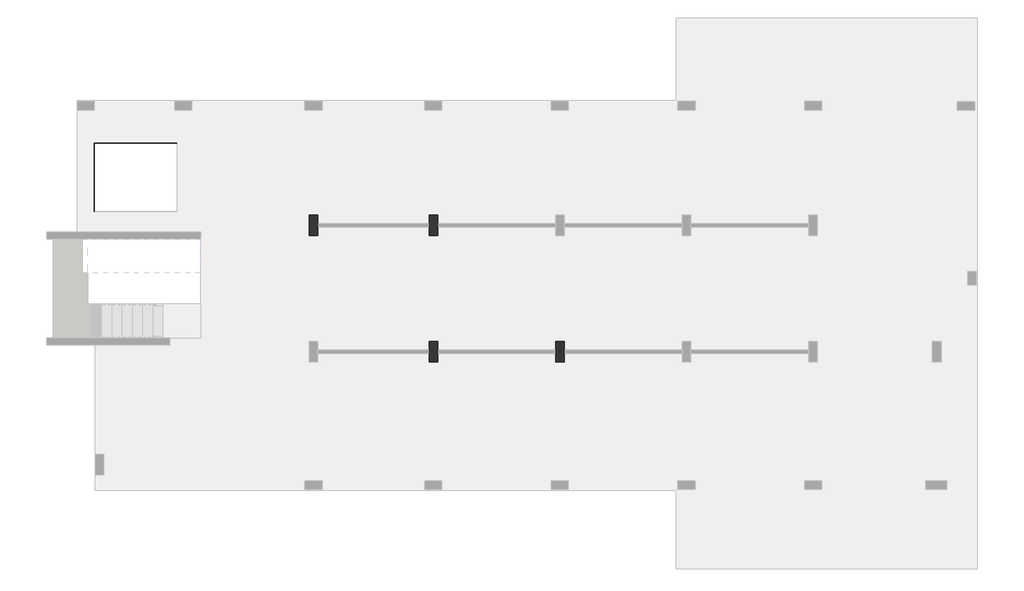
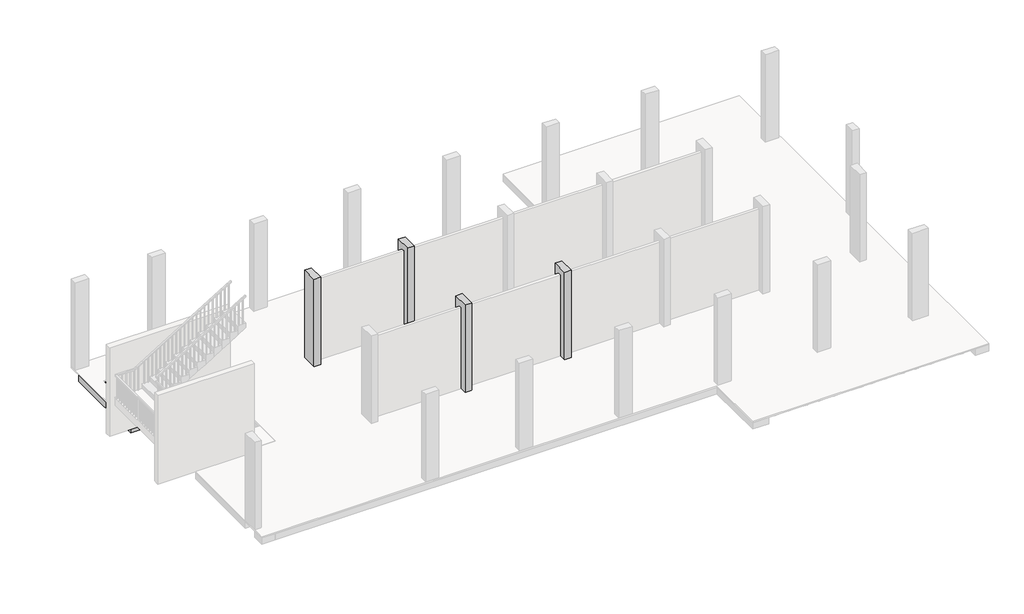
# One storey, part 2 of 5: 31 beams, 4 columns.
"""IFC4 building model written with IfcOpenShell, lengths in millimetres."""

from ifc_helpers import new_model, si_unit, frame, origin, place, context, project, spatial, polyline, outline, extrude, faceted_brep, element, save

model = new_model("IFC4")

# Units and contexts
model_context = context("Model", 3, world=origin())
ifc_project = project(units=[si_unit("LENGTHUNIT", "METRE", prefix="MILLI")], contexts=[model_context])

# Site, building, storey
site = spatial("IfcSite", under=ifc_project)
building = spatial("IfcBuilding", under=site)
storey = spatial("IfcBuildingStorey", under=building, Elevation=3500.0)

# Beams
placement = place(None, origin())
element("IfcBeam", 1, ObjectType="B 150 x 250 mm", at=placement, inside=storey, context=model_context, shape_type="SweptSolid", body=[
    extrude(outline(polyline([(14525.0390798, -3896.893934), (14675.0390798, -3896.893934), (14675.0390798, -6796.8939341), (14525.0390798, -6796.8939341), (14525.0390798, -3896.893934)])), frame((0.0, 0.0, 3200.0), z_axis=(0.0, 0.0, 1.0), x_axis=(1.0, 0.0, 0.0)), (0.0, 0.0, 1.0), 250.0),
])
element("IfcBeam", 2, ObjectType="B 150 x 250 mm", at=placement, inside=storey, context=model_context, shape_type="SweptSolid", body=[
    extrude(outline(polyline([(15075.0390798, -3896.893934), (15225.0390798, -3896.893934), (15225.0390798, -6796.8939341), (15075.0390798, -6796.8939341), (15075.0390798, -3896.893934)])), frame((0.0, 0.0, 3200.0), z_axis=(0.0, 0.0, 1.0), x_axis=(1.0, 0.0, 0.0)), (0.0, 0.0, 1.0), 250.0),
])
element("IfcBeam", 3, ObjectType="B 150 x 250 mm", at=placement, inside=storey, context=model_context, shape_type="SweptSolid", body=[
    extrude(outline(polyline([(15625.0390798, -3896.893934), (15775.0390798, -3896.893934), (15775.0390798, -6796.8939341), (15625.0390798, -6796.8939341), (15625.0390798, -3896.893934)])), frame((0.0, 0.0, 3200.0), z_axis=(0.0, 0.0, 1.0), x_axis=(1.0, 0.0, 0.0)), (0.0, 0.0, 1.0), 250.0),
])
element("IfcBeam", 4, ObjectType="B 150 x 250 mm", at=placement, inside=storey, context=model_context, shape_type="SweptSolid", body=[
    extrude(outline(polyline([(10825.0390798, -3896.893934), (10975.0390798, -3896.893934), (10975.0390798, -6796.8939341), (10825.0390798, -6796.8939341), (10825.0390798, -3896.893934)])), frame((0.0, 0.0, 3200.0), z_axis=(0.0, 0.0, 1.0), x_axis=(1.0, 0.0, 0.0)), (0.0, 0.0, 1.0), 250.0),
])
element("IfcBeam", 5, ObjectType="B 150 x 250 mm", at=placement, inside=storey, context=model_context, shape_type="SweptSolid", body=[
    extrude(outline(polyline([(11375.0390798, -3896.893934), (11525.0390798, -3896.893934), (11525.0390798, -6796.8939341), (11375.0390798, -6796.8939341), (11375.0390798, -3896.893934)])), frame((0.0, 0.0, 3200.0), z_axis=(0.0, 0.0, 1.0), x_axis=(1.0, 0.0, 0.0)), (0.0, 0.0, 1.0), 250.0),
])
element("IfcBeam", 6, ObjectType="B 150 x 250 mm", at=placement, inside=storey, context=model_context, shape_type="SweptSolid", body=[
    extrude(outline(polyline([(11925.0390798, -3896.893934), (12075.0390798, -3896.893934), (12075.0390798, -6796.8939341), (11925.0390798, -6796.8939341), (11925.0390798, -3896.893934)])), frame((0.0, 0.0, 3200.0), z_axis=(0.0, 0.0, 1.0), x_axis=(1.0, 0.0, 0.0)), (0.0, 0.0, 1.0), 250.0),
])
element("IfcBeam", 7, ObjectType="B 150 x 250 mm", at=placement, inside=storey, context=model_context, shape_type="SweptSolid", body=[
    extrude(outline(polyline([(12475.0390798, -3896.893934), (12625.0390798, -3896.893934), (12625.0390798, -6796.8939341), (12475.0390798, -6796.8939341), (12475.0390798, -3896.893934)])), frame((0.0, 0.0, 3200.0), z_axis=(0.0, 0.0, 1.0), x_axis=(1.0, 0.0, 0.0)), (0.0, 0.0, 1.0), 250.0),
])
element("IfcBeam", 8, ObjectType="B 150 x 250 mm", at=placement, inside=storey, context=model_context, shape_type="SweptSolid", body=[
    extrude(outline(polyline([(13025.0390798, -3896.893934), (13175.0390798, -3896.893934), (13175.0390798, -6796.8939341), (13025.0390798, -6796.8939341), (13025.0390798, -3896.893934)])), frame((0.0, 0.0, 3200.0), z_axis=(0.0, 0.0, 1.0), x_axis=(1.0, 0.0, 0.0)), (0.0, 0.0, 1.0), 250.0),
])
element("IfcBeam", 9, ObjectType="B 150 x 250 mm", at=placement, inside=storey, context=model_context, shape_type="SweptSolid", body=[
    extrude(outline(polyline([(7225.0390798, -3896.893934), (7375.0390798, -3896.893934), (7375.0390798, -6796.8939341), (7225.0390798, -6796.8939341), (7225.0390798, -3896.893934)])), frame((0.0, 0.0, 3200.0), z_axis=(0.0, 0.0, 1.0), x_axis=(1.0, 0.0, 0.0)), (0.0, 0.0, 1.0), 250.0),
])
element("IfcBeam", 10, ObjectType="B 150 x 250 mm", at=placement, inside=storey, context=model_context, shape_type="SweptSolid", body=[
    extrude(outline(polyline([(7775.0390798, -3896.893934), (7925.0390798, -3896.893934), (7925.0390798, -6796.8939341), (7775.0390798, -6796.8939341), (7775.0390798, -3896.893934)])), frame((0.0, 0.0, 3200.0), z_axis=(0.0, 0.0, 1.0), x_axis=(1.0, 0.0, 0.0)), (0.0, 0.0, 1.0), 250.0),
])
element("IfcBeam", 11, ObjectType="B 150 x 250 mm", at=placement, inside=storey, context=model_context, shape_type="SweptSolid", body=[
    extrude(outline(polyline([(8325.0390798, -3896.893934), (8475.0390798, -3896.893934), (8475.0390798, -6796.8939341), (8325.0390798, -6796.8939341), (8325.0390798, -3896.893934)])), frame((0.0, 0.0, 3200.0), z_axis=(0.0, 0.0, 1.0), x_axis=(1.0, 0.0, 0.0)), (0.0, 0.0, 1.0), 250.0),
])
element("IfcBeam", 12, ObjectType="B 150 x 250 mm", at=placement, inside=storey, context=model_context, shape_type="SweptSolid", body=[
    extrude(outline(polyline([(8875.0390798, -3896.893934), (9025.0390798, -3896.893934), (9025.0390798, -6796.8939341), (8875.0390798, -6796.8939341), (8875.0390798, -3896.893934)])), frame((0.0, 0.0, 3200.0), z_axis=(0.0, 0.0, 1.0), x_axis=(1.0, 0.0, 0.0)), (0.0, 0.0, 1.0), 250.0),
])
element("IfcBeam", 13, ObjectType="B 150 x 250 mm", at=placement, inside=storey, context=model_context, shape_type="SweptSolid", body=[
    extrude(outline(polyline([(9425.0390798, -3896.893934), (9575.0390798, -3896.893934), (9575.0390798, -6796.8939341), (9425.0390798, -6796.8939341), (9425.0390798, -3896.893934)])), frame((0.0, 0.0, 3200.0), z_axis=(0.0, 0.0, 1.0), x_axis=(1.0, 0.0, 0.0)), (0.0, 0.0, 1.0), 250.0),
])
element("IfcBeam", 14, ObjectType="B 150 x 250 mm", at=placement, inside=storey, context=model_context, shape_type="SweptSolid", body=[
    extrude(outline(polyline([(7225.0390798, -346.893934), (7375.0390798, -346.893934), (7375.0390798, -3096.893934), (7225.0390798, -3096.893934), (7225.0390798, -346.893934)])), frame((0.0, 0.0, 3200.0), z_axis=(0.0, 0.0, 1.0), x_axis=(1.0, 0.0, 0.0)), (0.0, 0.0, 1.0), 250.0),
])
element("IfcBeam", 15, ObjectType="B 150 x 250 mm", at=placement, inside=storey, context=model_context, shape_type="SweptSolid", body=[
    extrude(outline(polyline([(7775.0390798, -346.893934), (7925.0390798, -346.893934), (7925.0390798, -3096.893934), (7775.0390798, -3096.893934), (7775.0390798, -346.893934)])), frame((0.0, 0.0, 3200.0), z_axis=(0.0, 0.0, 1.0), x_axis=(1.0, 0.0, 0.0)), (0.0, 0.0, 1.0), 250.0),
])
element("IfcBeam", 16, ObjectType="B 150 x 250 mm", at=placement, inside=storey, context=model_context, shape_type="SweptSolid", body=[
    extrude(outline(polyline([(8325.0390798, -346.893934), (8475.0390798, -346.893934), (8475.0390798, -3096.893934), (8325.0390798, -3096.893934), (8325.0390798, -346.893934)])), frame((0.0, 0.0, 3200.0), z_axis=(0.0, 0.0, 1.0), x_axis=(1.0, 0.0, 0.0)), (0.0, 0.0, 1.0), 250.0),
])
element("IfcBeam", 17, ObjectType="B 150 x 250 mm", at=placement, inside=storey, context=model_context, shape_type="SweptSolid", body=[
    extrude(outline(polyline([(5575.0195399, -3896.893934), (5725.0195399, -3896.893934), (5725.0195399, -6796.8939341), (5575.0195399, -6796.8939341), (5575.0195399, -3896.893934)])), frame((0.0, 0.0, 3200.0), z_axis=(0.0, 0.0, 1.0), x_axis=(1.0, 0.0, 0.0)), (0.0, 0.0, 1.0), 250.0),
])
element("IfcBeam", 18, ObjectType="B 150 x 250 mm", at=placement, inside=storey, context=model_context, shape_type="SweptSolid", body=[
    extrude(outline(polyline([(6125.0195399, -3896.893934), (6275.0195399, -3896.893934), (6275.0195399, -6796.8939341), (6125.0195399, -6796.8939341), (6125.0195399, -3896.893934)])), frame((0.0, 0.0, 3200.0), z_axis=(0.0, 0.0, 1.0), x_axis=(1.0, 0.0, 0.0)), (0.0, 0.0, 1.0), 250.0),
])
element("IfcBeam", 19, ObjectType="B 150 x 250 mm", at=placement, inside=storey, context=model_context, shape_type="Brep", body=[
    faceted_brep([(2664.8770182, -346.893934, 3450.0), (2814.8770182, -346.893934, 3450.0), (2814.8770182, -346.893934, 3200.0), (2664.8770182, -346.893934, 3200.0), (2664.8770182, -946.893934, 3450.0), (2664.8770182, -1096.893934, 3450.0), (2664.8770182, -3096.893934, 3450.0), (2814.8770182, -3096.893934, 3450.0), (2814.8770182, -3096.893934, 3200.0), (2664.8770182, -3096.893934, 3200.0), (2664.8770182, -1096.893934, 3200.0), (2664.8770182, -946.893934, 3200.0)], [[[0, 1, 2, 3]], [[1, 0, 4, 5, 6, 7]], [[2, 1, 7, 8]], [[3, 2, 8, 9, 10, 11]], [[0, 3, 11, 10, 9, 6, 5, 4]], [[7, 6, 9, 8]]]),
])
element("IfcBeam", 20, ObjectType="B 150 x 250 mm", at=placement, inside=storey, context=model_context, shape_type="SweptSolid", body=[
    extrude(outline(polyline([(3225.0195399, -346.893934), (3375.0195399, -346.893934), (3375.0195399, -3096.893934), (3225.0195399, -3096.893934), (3225.0195399, -346.893934)])), frame((0.0, 0.0, 3200.0), z_axis=(0.0, 0.0, 1.0), x_axis=(1.0, 0.0, 0.0)), (0.0, 0.0, 1.0), 250.0),
])
element("IfcBeam", 21, ObjectType="B 150 x 250 mm", at=placement, inside=storey, context=model_context, shape_type="SweptSolid", body=[
    extrude(outline(polyline([(3775.0195399, -346.893934), (3925.0195399, -346.893934), (3925.0195399, -3096.893934), (3775.0195399, -3096.893934), (3775.0195399, -346.893934)])), frame((0.0, 0.0, 3200.0), z_axis=(0.0, 0.0, 1.0), x_axis=(1.0, 0.0, 0.0)), (0.0, 0.0, 1.0), 250.0),
])
element("IfcBeam", 22, ObjectType="B 150 x 250 mm", at=placement, inside=storey, context=model_context, shape_type="SweptSolid", body=[
    extrude(outline(polyline([(4325.0195399, -346.893934), (4475.0195399, -346.893934), (4475.0195399, -3096.893934), (4325.0195399, -3096.893934), (4325.0195399, -346.893934)])), frame((0.0, 0.0, 3200.0), z_axis=(0.0, 0.0, 1.0), x_axis=(1.0, 0.0, 0.0)), (0.0, 0.0, 1.0), 250.0),
])
element("IfcBeam", 23, ObjectType="B 150 x 250 mm", at=placement, inside=storey, context=model_context, shape_type="SweptSolid", body=[
    extrude(outline(polyline([(4875.0195399, -346.893934), (5025.0195399, -346.893934), (5025.0195399, -3096.893934), (4875.0195399, -3096.893934), (4875.0195399, -346.893934)])), frame((0.0, 0.0, 3200.0), z_axis=(0.0, 0.0, 1.0), x_axis=(1.0, 0.0, 0.0)), (0.0, 0.0, 1.0), 250.0),
])
element("IfcBeam", 24, ObjectType="B 150 x 250 mm", at=placement, inside=storey, context=model_context, shape_type="SweptSolid", body=[
    extrude(outline(polyline([(5425.0195399, -346.893934), (5575.0195399, -346.893934), (5575.0195399, -3096.893934), (5425.0195399, -3096.893934), (5425.0195399, -346.893934)])), frame((0.0, 0.0, 3200.0), z_axis=(0.0, 0.0, 1.0), x_axis=(1.0, 0.0, 0.0)), (0.0, 0.0, 1.0), 250.0),
])
element("IfcBeam", 25, ObjectType="B 150 x 250 mm", at=placement, inside=storey, context=model_context, shape_type="SweptSolid", body=[
    extrude(outline(polyline([(5975.0195399, -346.893934), (6125.0195399, -346.893934), (6125.0195399, -3096.893934), (5975.0195399, -3096.893934), (5975.0195399, -346.893934)])), frame((0.0, 0.0, 3200.0), z_axis=(0.0, 0.0, 1.0), x_axis=(1.0, 0.0, 0.0)), (0.0, 0.0, 1.0), 250.0),
])
element("IfcBeam", 26, ObjectType="B 150 x 250 mm", at=placement, inside=storey, context=model_context, shape_type="Brep", body=[
    faceted_brep([(250.0, -946.893934, 3450.0), (250.0, -946.893934, 3200.0), (250.0, -1096.893934, 3200.0), (250.0, -1096.893934, 3450.0), (2650.0, -1096.893934, 3450.0), (2664.8770182, -1096.893934, 3450.0), (2664.8770182, -946.893934, 3450.0), (2664.8770182, -1096.893934, 3200.0), (2664.8770182, -946.893934, 3200.0)], [[[0, 1, 2, 3]], [[0, 3, 4, 5, 6]], [[3, 2, 7, 5, 4]], [[2, 1, 8, 7]], [[1, 0, 6, 8]], [[6, 5, 7, 8]]]),
])
element("IfcBeam", 27, ObjectType="B4 800 x 250 mm", at=placement, inside=storey, context=model_context, shape_type="Brep", body=[
    faceted_brep([(25550.0000727, -7596.8939341, 3450.0), (25550.0000727, -7596.8939341, 3200.0), (25550.0000727, -6796.8939341, 3200.0), (25550.0000727, -6796.8939341, 3450.0), (25275.0195763, -6796.8939341, 3450.0), (25125.0195763, -6796.8939341, 3450.0), (24725.0195763, -6796.8939341, 3450.0), (24575.0195763, -6796.8939341, 3450.0), (24175.0195763, -6796.8939341, 3450.0), (24025.0195763, -6796.8939341, 3450.0), (23625.0195763, -6796.8939341, 3450.0), (23475.0195763, -6796.8939341, 3450.0), (23075.0195763, -6796.8939341, 3450.0), (22925.0195763, -6796.8939341, 3450.0), (22525.0195763, -6796.8939341, 3450.0), (22375.0195763, -6796.8939341, 3450.0), (21975.0195763, -6796.8939341, 3450.0), (21825.0195763, -6796.8939341, 3450.0), (21550.0390798, -6796.8939341, 3450.0), (20950.0390798, -6796.8939341, 3450.0), (20575.0390798, -6796.8939341, 3450.0), (20425.0390798, -6796.8939341, 3450.0), (20025.0390798, -6796.8939341, 3450.0), (19875.0390798, -6796.8939341, 3450.0), (19475.0390798, -6796.8939341, 3450.0), (19325.0390798, -6796.8939341, 3450.0), (18925.0390798, -6796.8939341, 3450.0), (18775.0390798, -6796.8939341, 3450.0), (18375.0390798, -6796.8939341, 3450.0), (18225.0390798, -6796.8939341, 3450.0), (17850.0390798, -6796.8939341, 3450.0), (17250.0390798, -6796.8939341, 3450.0), (16875.0390798, -6796.8939341, 3450.0), (16725.0390798, -6796.8939341, 3450.0), (16325.0390798, -6796.8939341, 3450.0), (16175.0390798, -6796.8939341, 3450.0), (15775.0390798, -6796.8939341, 3450.0), (15625.0390798, -6796.8939341, 3450.0), (15225.0390798, -6796.8939341, 3450.0), (15075.0390798, -6796.8939341, 3450.0), (14675.0390798, -6796.8939341, 3450.0), (14525.0390798, -6796.8939341, 3450.0), (14150.0390798, -6796.8939341, 3450.0), (13550.0390798, -6796.8939341, 3450.0), (13175.0390798, -6796.8939341, 3450.0), (13025.0390798, -6796.8939341, 3450.0), (12625.0390798, -6796.8939341, 3450.0), (12475.0390798, -6796.8939341, 3450.0), (12075.0390798, -6796.8939341, 3450.0), (11925.0390798, -6796.8939341, 3450.0), (11525.0390798, -6796.8939341, 3450.0), (11375.0390798, -6796.8939341, 3450.0), (10975.0390798, -6796.8939341, 3450.0), (10825.0390798, -6796.8939341, 3450.0), (10450.0390798, -6796.8939341, 3450.0), (9850.0390798, -6796.8939341, 3450.0), (9575.0390798, -6796.8939341, 3450.0), (9425.0390798, -6796.8939341, 3450.0), (9025.0390798, -6796.8939341, 3450.0), (8875.0390798, -6796.8939341, 3450.0), (8475.0390798, -6796.8939341, 3450.0), (8325.0390798, -6796.8939341, 3450.0), (7925.0390798, -6796.8939341, 3450.0), (7775.0390798, -6796.8939341, 3450.0), (7375.0390798, -6796.8939341, 3450.0), (7225.0390798, -6796.8939341, 3450.0), (6950.0390798, -6796.8939341, 3450.0), (6350.0390798, -6796.8939341, 3450.0), (6275.0195399, -6796.8939341, 3450.0), (6125.0195399, -6796.8939341, 3450.0), (5725.0195399, -6796.8939341, 3450.0), (5575.0195399, -6796.8939341, 3450.0), (5175.0195399, -6796.8939341, 3450.0), (5025.0195399, -6796.8939341, 3450.0), (4625.0195399, -6796.8939341, 3450.0), (4475.0195399, -6796.8939341, 3450.0), (4075.0195399, -6796.8939341, 3450.0), (3925.0195399, -6796.8939341, 3450.0), (3850.0, -6796.8939341, 3450.0), (3350.0, -6796.8939341, 3450.0), (2450.0, -6796.8939341, 3450.0), (2450.0, -6996.8939341, 3450.0), (777.7588387, -6996.8939341, 3450.0), (777.7588387, -7596.8939341, 3450.0), (888.8989593, -7596.8939341, 3450.0), (1288.8989593, -7596.8939341, 3450.0), (1438.8989593, -7596.8939341, 3450.0), (1838.8989593, -7596.8939341, 3450.0), (1988.8989593, -7596.8939341, 3450.0), (2388.8989593, -7596.8939341, 3450.0), (2538.8989593, -7596.8939341, 3450.0), (2938.8989593, -7596.8939341, 3450.0), (3088.8989593, -7596.8939341, 3450.0), (3488.8989593, -7596.8939341, 3450.0), (3638.8989593, -7596.8939341, 3450.0), (4038.8989593, -7596.8939341, 3450.0), (4188.8989593, -7596.8939341, 3450.0), (4588.8989593, -7596.8939341, 3450.0), (4738.8989593, -7596.8939341, 3450.0), (5138.8989593, -7596.8939341, 3450.0), (5288.8989593, -7596.8939341, 3450.0), (5688.8989593, -7596.8939341, 3450.0), (5838.8989593, -7596.8939341, 3450.0), (6238.8989593, -7596.8939341, 3450.0), (6350.0390798, -7596.8939341, 3450.0), (6950.0390798, -7596.8939341, 3450.0), (7225.0390798, -7596.8939341, 3450.0), (7375.0390798, -7596.8939341, 3450.0), (7775.0390798, -7596.8939341, 3450.0), (7925.0390798, -7596.8939341, 3450.0), (8325.0390798, -7596.8939341, 3450.0), (8475.0390798, -7596.8939341, 3450.0), (8875.0390798, -7596.8939341, 3450.0), (9025.0390798, -7596.8939341, 3450.0), (9425.0390798, -7596.8939341, 3450.0), (9575.0390798, -7596.8939341, 3450.0), (9850.0390798, -7596.8939341, 3450.0), (10450.0390798, -7596.8939341, 3450.0), (10825.0390798, -7596.8939341, 3450.0), (10975.0390798, -7596.8939341, 3450.0), (11375.0390798, -7596.8939341, 3450.0), (11525.0390798, -7596.8939341, 3450.0), (11925.0390798, -7596.8939341, 3450.0), (12075.0390798, -7596.8939341, 3450.0), (12475.0390798, -7596.8939341, 3450.0), (12625.0390798, -7596.8939341, 3450.0), (13025.0390798, -7596.8939341, 3450.0), (13175.0390798, -7596.8939341, 3450.0), (13550.0390798, -7596.8939341, 3450.0), (14150.0390798, -7596.8939341, 3450.0), (14525.0390798, -7596.8939341, 3450.0), (14675.0390798, -7596.8939341, 3450.0), (15075.0390798, -7596.8939341, 3450.0), (15225.0390798, -7596.8939341, 3450.0), (15625.0390798, -7596.8939341, 3450.0), (15775.0390798, -7596.8939341, 3450.0), (16175.0390798, -7596.8939341, 3450.0), (16325.0390798, -7596.8939341, 3450.0), (16725.0390798, -7596.8939341, 3450.0), (16875.0390798, -7596.8939341, 3450.0), (17250.0390798, -7596.8939341, 3450.0), (17850.0390798, -7596.8939341, 3450.0), (18225.0390798, -7596.8939341, 3450.0), (18375.0390798, -7596.8939341, 3450.0), (18775.0390798, -7596.8939341, 3450.0), (18925.0390798, -7596.8939341, 3450.0), (19325.0390798, -7596.8939341, 3450.0), (19475.0390798, -7596.8939341, 3450.0), (19875.0390798, -7596.8939341, 3450.0), (20025.0390798, -7596.8939341, 3450.0), (20425.0390798, -7596.8939341, 3450.0), (20575.0390798, -7596.8939341, 3450.0), (20950.0390798, -7596.8939341, 3450.0), (21550.0390798, -7596.8939341, 3450.0), (21825.0195763, -7596.8939341, 3450.0), (21975.0195763, -7596.8939341, 3450.0), (22375.0195763, -7596.8939341, 3450.0), (22525.0195763, -7596.8939341, 3450.0), (22925.0195763, -7596.8939341, 3450.0), (23075.0195763, -7596.8939341, 3450.0), (23475.0195763, -7596.8939341, 3450.0), (23625.0195763, -7596.8939341, 3450.0), (24025.0195763, -7596.8939341, 3450.0), (24175.0195763, -7596.8939341, 3450.0), (24575.0195763, -7596.8939341, 3450.0), (24725.0195763, -7596.8939341, 3450.0), (25125.0195763, -7596.8939341, 3450.0), (25275.0195763, -7596.8939341, 3450.0), (24735.2850434, -6896.8939341, 3450.0), (24985.2850434, -6896.8939341, 3450.0), (24985.2850434, -7496.8939341, 3450.0), (24735.2850434, -7496.8939341, 3450.0), (21125.0390798, -6896.8939341, 3450.0), (21375.0390798, -6896.8939341, 3450.0), (21375.0390798, -7496.8939341, 3450.0), (21125.0390798, -7496.8939341, 3450.0), (17425.0390798, -6896.8939341, 3450.0), (17675.0390798, -6896.8939341, 3450.0), (17675.0390798, -7496.8939341, 3450.0), (17425.0390798, -7496.8939341, 3450.0), (13725.0390798, -6896.8939341, 3450.0), (13975.0390798, -6896.8939341, 3450.0), (13975.0390798, -7496.8939341, 3450.0), (13725.0390798, -7496.8939341, 3450.0), (10025.0390798, -6896.8939341, 3450.0), (10275.0390798, -6896.8939341, 3450.0), (10275.0390798, -7496.8939341, 3450.0), (10025.0390798, -7496.8939341, 3450.0), (6525.0390798, -6896.8939341, 3450.0), (6775.0390798, -6896.8939341, 3450.0), (6775.0390798, -7496.8939341, 3450.0), (6525.0390798, -7496.8939341, 3450.0), (25275.0195763, -6796.8939341, 3200.0), (25125.0195763, -6796.8939341, 3200.0), (24725.0195763, -6796.8939341, 3200.0), (24575.0195763, -6796.8939341, 3200.0), (24175.0195763, -6796.8939341, 3200.0), (24025.0195763, -6796.8939341, 3200.0), (23625.0195763, -6796.8939341, 3200.0), (23475.0195763, -6796.8939341, 3200.0), (23075.0195763, -6796.8939341, 3200.0), (22925.0195763, -6796.8939341, 3200.0), (22525.0195763, -6796.8939341, 3200.0), (22375.0195763, -6796.8939341, 3200.0), (21975.0195763, -6796.8939341, 3200.0), (21825.0195763, -6796.8939341, 3200.0), (21550.0390798, -6796.8939341, 3200.0), (20950.0390798, -6796.8939341, 3200.0), (20575.0390798, -6796.8939341, 3200.0), (20425.0390798, -6796.8939341, 3200.0), (20025.0390798, -6796.8939341, 3200.0), (19875.0390798, -6796.8939341, 3200.0), (19475.0390798, -6796.8939341, 3200.0), (19325.0390798, -6796.8939341, 3200.0), (18925.0390798, -6796.8939341, 3200.0), (18775.0390798, -6796.8939341, 3200.0), (18375.0390798, -6796.8939341, 3200.0), (18225.0390798, -6796.8939341, 3200.0), (17850.0390798, -6796.8939341, 3200.0), (17250.0390798, -6796.8939341, 3200.0), (16875.0390798, -6796.8939341, 3200.0), (16725.0390798, -6796.8939341, 3200.0), (16325.0390798, -6796.8939341, 3200.0), (16175.0390798, -6796.8939341, 3200.0), (15775.0390798, -6796.8939341, 3200.0), (15625.0390798, -6796.8939341, 3200.0), (15225.0390798, -6796.8939341, 3200.0), (15075.0390798, -6796.8939341, 3200.0), (14675.0390798, -6796.8939341, 3200.0), (14525.0390798, -6796.8939341, 3200.0), (14150.0390798, -6796.8939341, 3200.0), (13550.0390798, -6796.8939341, 3200.0), (13175.0390798, -6796.8939341, 3200.0), (13025.0390798, -6796.8939341, 3200.0), (12625.0390798, -6796.8939341, 3200.0), (12475.0390798, -6796.8939341, 3200.0), (12075.0390798, -6796.8939341, 3200.0), (11925.0390798, -6796.8939341, 3200.0), (11525.0390798, -6796.8939341, 3200.0), (11375.0390798, -6796.8939341, 3200.0), (10975.0390798, -6796.8939341, 3200.0), (10825.0390798, -6796.8939341, 3200.0), (10450.0390798, -6796.8939341, 3200.0), (9850.0390798, -6796.8939341, 3200.0), (9575.0390798, -6796.8939341, 3200.0), (9425.0390798, -6796.8939341, 3200.0), (9025.0390798, -6796.8939341, 3200.0), (8875.0390798, -6796.8939341, 3200.0), (8475.0390798, -6796.8939341, 3200.0), (8325.0390798, -6796.8939341, 3200.0), (7925.0390798, -6796.8939341, 3200.0), (7775.0390798, -6796.8939341, 3200.0), (7375.0390798, -6796.8939341, 3200.0), (7225.0390798, -6796.8939341, 3200.0), (6950.0390798, -6796.8939341, 3200.0), (6350.0390798, -6796.8939341, 3200.0), (6275.0195399, -6796.8939341, 3200.0), (6125.0195399, -6796.8939341, 3200.0), (5725.0195399, -6796.8939341, 3200.0), (5575.0195399, -6796.8939341, 3200.0), (5175.0195399, -6796.8939341, 3200.0), (5025.0195399, -6796.8939341, 3200.0), (4625.0195399, -6796.8939341, 3200.0), (4475.0195399, -6796.8939341, 3200.0), (4075.0195399, -6796.8939341, 3200.0), (3925.0195399, -6796.8939341, 3200.0), (3850.0, -6796.8939341, 3200.0), (3350.0, -6796.8939341, 3200.0), (2450.0, -6796.8939341, 3200.0), (25275.0195763, -7596.8939341, 3200.0), (25125.0195763, -7596.8939341, 3200.0), (24725.0195763, -7596.8939341, 3200.0), (24575.0195763, -7596.8939341, 3200.0), (24175.0195763, -7596.8939341, 3200.0), (24025.0195763, -7596.8939341, 3200.0), (23625.0195763, -7596.8939341, 3200.0), (23475.0195763, -7596.8939341, 3200.0), (23075.0195763, -7596.8939341, 3200.0), (22925.0195763, -7596.8939341, 3200.0), (22525.0195763, -7596.8939341, 3200.0), (22375.0195763, -7596.8939341, 3200.0), (21975.0195763, -7596.8939341, 3200.0), (21825.0195763, -7596.8939341, 3200.0), (21550.0390798, -7596.8939341, 3200.0), (20950.0390798, -7596.8939341, 3200.0), (20575.0390798, -7596.8939341, 3200.0), (20425.0390798, -7596.8939341, 3200.0), (20025.0390798, -7596.8939341, 3200.0), (19875.0390798, -7596.8939341, 3200.0), (19475.0390798, -7596.8939341, 3200.0), (19325.0390798, -7596.8939341, 3200.0), (18925.0390798, -7596.8939341, 3200.0), (18775.0390798, -7596.8939341, 3200.0), (18375.0390798, -7596.8939341, 3200.0), (18225.0390798, -7596.8939341, 3200.0), (17850.0390798, -7596.8939341, 3200.0), (17250.0390798, -7596.8939341, 3200.0), (16875.0390798, -7596.8939341, 3200.0), (16725.0390798, -7596.8939341, 3200.0), (16325.0390798, -7596.8939341, 3200.0), (16175.0390798, -7596.8939341, 3200.0), (15775.0390798, -7596.8939341, 3200.0), (15625.0390798, -7596.8939341, 3200.0), (15225.0390798, -7596.8939341, 3200.0), (15075.0390798, -7596.8939341, 3200.0), (14675.0390798, -7596.8939341, 3200.0), (14525.0390798, -7596.8939341, 3200.0), (14150.0390798, -7596.8939341, 3200.0), (13550.0390798, -7596.8939341, 3200.0), (13175.0390798, -7596.8939341, 3200.0), (13025.0390798, -7596.8939341, 3200.0), (12625.0390798, -7596.8939341, 3200.0), (12475.0390798, -7596.8939341, 3200.0), (12075.0390798, -7596.8939341, 3200.0), (11925.0390798, -7596.8939341, 3200.0), (11525.0390798, -7596.8939341, 3200.0), (11375.0390798, -7596.8939341, 3200.0), (10975.0390798, -7596.8939341, 3200.0), (10825.0390798, -7596.8939341, 3200.0), (10450.0390798, -7596.8939341, 3200.0), (9850.0390798, -7596.8939341, 3200.0), (9575.0390798, -7596.8939341, 3200.0), (9425.0390798, -7596.8939341, 3200.0), (9025.0390798, -7596.8939341, 3200.0), (8875.0390798, -7596.8939341, 3200.0), (8475.0390798, -7596.8939341, 3200.0), (8325.0390798, -7596.8939341, 3200.0), (7925.0390798, -7596.8939341, 3200.0), (7775.0390798, -7596.8939341, 3200.0), (7375.0390798, -7596.8939341, 3200.0), (7225.0390798, -7596.8939341, 3200.0), (6950.0390798, -7596.8939341, 3200.0), (6350.0390798, -7596.8939341, 3200.0), (6238.8989593, -7596.8939341, 3200.0), (5838.8989593, -7596.8939341, 3200.0), (5688.8989593, -7596.8939341, 3200.0), (5288.8989593, -7596.8939341, 3200.0), (5138.8989593, -7596.8939341, 3200.0), (4738.8989593, -7596.8939341, 3200.0), (4588.8989593, -7596.8939341, 3200.0), (4188.8989593, -7596.8939341, 3200.0), (4038.8989593, -7596.8939341, 3200.0), (3638.8989593, -7596.8939341, 3200.0), (3488.8989593, -7596.8939341, 3200.0), (3088.8989593, -7596.8939341, 3200.0), (2938.8989593, -7596.8939341, 3200.0), (2538.8989593, -7596.8939341, 3200.0), (2388.8989593, -7596.8939341, 3200.0), (1988.8989593, -7596.8939341, 3200.0), (1838.8989593, -7596.8939341, 3200.0), (1438.8989593, -7596.8939341, 3200.0), (1288.8989593, -7596.8939341, 3200.0), (888.8989593, -7596.8939341, 3200.0), (777.7588387, -7596.8939341, 3200.0), (777.7588387, -6996.8939341, 3200.0), (2450.0, -6996.8939341, 3200.0), (24985.2850434, -6896.8939341, 3200.0), (24735.2850434, -6896.8939341, 3200.0), (24735.2850434, -7496.8939341, 3200.0), (24985.2850434, -7496.8939341, 3200.0), (21375.0390798, -6896.8939341, 3200.0), (21125.0390798, -6896.8939341, 3200.0), (21125.0390798, -7496.8939341, 3200.0), (21375.0390798, -7496.8939341, 3200.0), (17675.0390798, -6896.8939341, 3200.0), (17425.0390798, -6896.8939341, 3200.0), (17425.0390798, -7496.8939341, 3200.0), (17675.0390798, -7496.8939341, 3200.0), (13975.0390798, -6896.8939341, 3200.0), (13725.0390798, -6896.8939341, 3200.0), (13725.0390798, -7496.8939341, 3200.0), (13975.0390798, -7496.8939341, 3200.0), (10275.0390798, -6896.8939341, 3200.0), (10025.0390798, -6896.8939341, 3200.0), (10025.0390798, -7496.8939341, 3200.0), (10275.0390798, -7496.8939341, 3200.0), (6775.0390798, -6896.8939341, 3200.0), (6525.0390798, -6896.8939341, 3200.0), (6525.0390798, -7496.8939341, 3200.0), (6775.0390798, -7496.8939341, 3200.0)], [[[0, 1, 2, 3]], [[0, 3, 4, 5, 6, 7, 8, 9, 10, 11, 12, 13, 14, 15, 16, 17, 18, 19, 20, 21, 22, 23, 24, 25, 26, 27, 28, 29, 30, 31, 32, 33, 34, 35, 36, 37, 38, 39, 40, 41, 42, 43, 44, 45, 46, 47, 48, 49, 50, 51, 52, 53, 54, 55, 56, 57, 58, 59, 60, 61, 62, 63, 64, 65, 66, 67, 68, 69, 70, 71, 72, 73, 74, 75, 76, 77, 78, 79, 80, 81, 82, 83, 84, 85, 86, 87, 88, 89, 90, 91, 92, 93, 94, 95, 96, 97, 98, 99, 100, 101, 102, 103, 104, 105, 106, 107, 108, 109, 110, 111, 112, 113, 114, 115, 116, 117, 118, 119, 120, 121, 122, 123, 124, 125, 126, 127, 128, 129, 130, 131, 132, 133, 134, 135, 136, 137, 138, 139, 140, 141, 142, 143, 144, 145, 146, 147, 148, 149, 150, 151, 152, 153, 154, 155, 156, 157, 158, 159, 160, 161, 162, 163, 164, 165, 166, 167], [168, 169, 170, 171], [172, 173, 174, 175], [176, 177, 178, 179], [180, 181, 182, 183], [184, 185, 186, 187], [188, 189, 190, 191]], [[3, 2, 192, 193, 194, 195, 196, 197, 198, 199, 200, 201, 202, 203, 204, 205, 206, 207, 208, 209, 210, 211, 212, 213, 214, 215, 216, 217, 218, 219, 220, 221, 222, 223, 224, 225, 226, 227, 228, 229, 230, 231, 232, 233, 234, 235, 236, 237, 238, 239, 240, 241, 242, 243, 244, 245, 246, 247, 248, 249, 250, 251, 252, 253, 254, 255, 256, 257, 258, 259, 260, 261, 262, 263, 264, 265, 266, 267, 268, 80, 79, 78, 77, 76, 75, 74, 73, 72, 71, 70, 69, 68, 67, 66, 65, 64, 63, 62, 61, 60, 59, 58, 57, 56, 55, 54, 53, 52, 51, 50, 49, 48, 47, 46, 45, 44, 43, 42, 41, 40, 39, 38, 37, 36, 35, 34, 33, 32, 31, 30, 29, 28, 27, 26, 25, 24, 23, 22, 21, 20, 19, 18, 17, 16, 15, 14, 13, 12, 11, 10, 9, 8, 7, 6, 5, 4]], [[2, 1, 269, 270, 271, 272, 273, 274, 275, 276, 277, 278, 279, 280, 281, 282, 283, 284, 285, 286, 287, 288, 289, 290, 291, 292, 293, 294, 295, 296, 297, 298, 299, 300, 301, 302, 303, 304, 305, 306, 307, 308, 309, 310, 311, 312, 313, 314, 315, 316, 317, 318, 319, 320, 321, 322, 323, 324, 325, 326, 327, 328, 329, 330, 331, 332, 333, 334, 335, 336, 337, 338, 339, 340, 341, 342, 343, 344, 345, 346, 347, 348, 349, 350, 351, 352, 353, 354, 355, 268, 267, 266, 265, 264, 263, 262, 261, 260, 259, 258, 257, 256, 255, 254, 253, 252, 251, 250, 249, 248, 247, 246, 245, 244, 243, 242, 241, 240, 239, 238, 237, 236, 235, 234, 233, 232, 231, 230, 229, 228, 227, 226, 225, 224, 223, 222, 221, 220, 219, 218, 217, 216, 215, 214, 213, 212, 211, 210, 209, 208, 207, 206, 205, 204, 203, 202, 201, 200, 199, 198, 197, 196, 195, 194, 193, 192], [356, 357, 358, 359], [360, 361, 362, 363], [364, 365, 366, 367], [368, 369, 370, 371], [372, 373, 374, 375], [376, 377, 378, 379]], [[1, 0, 167, 166, 165, 164, 163, 162, 161, 160, 159, 158, 157, 156, 155, 154, 153, 152, 151, 150, 149, 148, 147, 146, 145, 144, 143, 142, 141, 140, 139, 138, 137, 136, 135, 134, 133, 132, 131, 130, 129, 128, 127, 126, 125, 124, 123, 122, 121, 120, 119, 118, 117, 116, 115, 114, 113, 112, 111, 110, 109, 108, 107, 106, 105, 104, 103, 102, 101, 100, 99, 98, 97, 96, 95, 94, 93, 92, 91, 90, 89, 88, 87, 86, 85, 84, 83, 353, 352, 351, 350, 349, 348, 347, 346, 345, 344, 343, 342, 341, 340, 339, 338, 337, 336, 335, 334, 333, 332, 331, 330, 329, 328, 327, 326, 325, 324, 323, 322, 321, 320, 319, 318, 317, 316, 315, 314, 313, 312, 311, 310, 309, 308, 307, 306, 305, 304, 303, 302, 301, 300, 299, 298, 297, 296, 295, 294, 293, 292, 291, 290, 289, 288, 287, 286, 285, 284, 283, 282, 281, 280, 279, 278, 277, 276, 275, 274, 273, 272, 271, 270, 269]], [[356, 169, 168, 357]], [[170, 359, 358, 171]], [[169, 356, 359, 170]], [[171, 358, 357, 168]], [[360, 173, 172, 361]], [[174, 363, 362, 175]], [[173, 360, 363, 174]], [[175, 362, 361, 172]], [[364, 177, 176, 365]], [[178, 367, 366, 179]], [[177, 364, 367, 178]], [[179, 366, 365, 176]], [[368, 181, 180, 369]], [[182, 371, 370, 183]], [[181, 368, 371, 182]], [[183, 370, 369, 180]], [[372, 185, 184, 373]], [[186, 375, 374, 187]], [[185, 372, 375, 186]], [[187, 374, 373, 184]], [[376, 189, 188, 377]], [[190, 379, 378, 191]], [[189, 376, 379, 190]], [[191, 378, 377, 188]], [[353, 83, 82, 354]], [[81, 355, 354, 82]], [[355, 81, 80, 268]]]),
])
element("IfcBeam", 28, ObjectType="B5 500 x 250 mm", at=placement, inside=storey, context=model_context, shape_type="Brep", body=[
    faceted_brep([(250.0, -346.893934, 3450.0), (-250.0, -346.893934, 3450.0), (-250.0, -3696.893934, 3450.0), (250.0, -3696.893934, 3450.0), (250.0, -3096.893934, 3450.0), (250.0, -1096.893934, 3450.0), (250.0, -946.893934, 3450.0), (-250.0, -346.893934, 3200.0), (-250.0, -3696.893934, 3200.0), (250.0, -346.893934, 3200.0), (250.0, -946.893934, 3200.0), (250.0, -1096.893934, 3200.0), (250.0, -3096.893934, 3200.0), (250.0, -3696.893934, 3200.0)], [[[0, 1, 2, 3, 4, 5, 6]], [[1, 7, 8, 2]], [[7, 9, 10, 11, 12, 13, 8]], [[9, 0, 6, 5, 4, 3, 13, 12, 11, 10]], [[1, 0, 9, 7]], [[3, 2, 8, 13]]]),
])
element("IfcBeam", 29, ObjectType="B6 600 x 250 mm", at=placement, inside=storey, context=model_context, shape_type="SweptSolid", body=[
    extrude(outline(polyline([(13550.0390798, -346.893934), (14150.0390798, -346.893934), (14150.0390798, -3096.893934), (13550.0390798, -3096.893934), (13550.0390798, -346.893934)])), frame((0.0, 0.0, 3200.0), z_axis=(0.0, 0.0, 1.0), x_axis=(1.0, 0.0, 0.0)), (0.0, 0.0, 1.0), 250.0),
    extrude(outline(polyline([(14150.0390798, -10746.893934), (13550.0390798, -10746.893934), (13550.0390798, -7596.8939341), (14150.0390798, -7596.8939341), (14150.0390798, -10746.893934)])), frame((0.0, 0.0, 3200.0), z_axis=(0.0, 0.0, 1.0), x_axis=(1.0, 0.0, 0.0)), (0.0, 0.0, 1.0), 250.0),
    extrude(outline(polyline([(14150.0390798, -6796.8939341), (13550.0390798, -6796.8939341), (13550.0390798, -3896.893934), (14150.0390798, -3896.893934), (14150.0390798, -6796.8939341)])), frame((0.0, 0.0, 3200.0), z_axis=(0.0, 0.0, 1.0), x_axis=(1.0, 0.0, 0.0)), (0.0, 0.0, 1.0), 250.0),
])
element("IfcBeam", 30, ObjectType="B6 600 x 250 mm", at=placement, inside=storey, context=model_context, shape_type="SweptSolid", body=[
    extrude(outline(polyline([(9850.0390798, -346.893934), (10450.0390798, -346.893934), (10450.0390798, -3096.893934), (9850.0390798, -3096.893934), (9850.0390798, -346.893934)])), frame((0.0, 0.0, 3200.0), z_axis=(0.0, 0.0, 1.0), x_axis=(1.0, 0.0, 0.0)), (0.0, 0.0, 1.0), 250.0),
    extrude(outline(polyline([(10450.0390798, -10746.893934), (9850.0390798, -10746.893934), (9850.0390798, -7596.8939341), (10450.0390798, -7596.8939341), (10450.0390798, -10746.893934)])), frame((0.0, 0.0, 3200.0), z_axis=(0.0, 0.0, 1.0), x_axis=(1.0, 0.0, 0.0)), (0.0, 0.0, 1.0), 250.0),
    extrude(outline(polyline([(10450.0390798, -6796.8939341), (9850.0390798, -6796.8939341), (9850.0390798, -3896.893934), (10450.0390798, -3896.893934), (10450.0390798, -6796.8939341)])), frame((0.0, 0.0, 3200.0), z_axis=(0.0, 0.0, 1.0), x_axis=(1.0, 0.0, 0.0)), (0.0, 0.0, 1.0), 250.0),
])
element("IfcBeam", 31, ObjectType="B6 600 x 250 mm", at=placement, inside=storey, context=model_context, shape_type="SweptSolid", body=[
    extrude(outline(polyline([(6350.0390798, -346.893934), (6950.0390798, -346.893934), (6950.0390798, -3096.893934), (6350.0390798, -3096.893934), (6350.0390798, -346.893934)])), frame((0.0, 0.0, 3200.0), z_axis=(0.0, 0.0, 1.0), x_axis=(1.0, 0.0, 0.0)), (0.0, 0.0, 1.0), 250.0),
    extrude(outline(polyline([(6950.0390798, -10746.893934), (6350.0390798, -10746.893934), (6350.0390798, -7596.8939341), (6950.0390798, -7596.8939341), (6950.0390798, -10746.893934)])), frame((0.0, 0.0, 3200.0), z_axis=(0.0, 0.0, 1.0), x_axis=(1.0, 0.0, 0.0)), (0.0, 0.0, 1.0), 250.0),
    extrude(outline(polyline([(6950.0390798, -6796.8939341), (6350.0390798, -6796.8939341), (6350.0390798, -3896.893934), (6950.0390798, -3896.893934), (6950.0390798, -6796.8939341)])), frame((0.0, 0.0, 3200.0), z_axis=(0.0, 0.0, 1.0), x_axis=(1.0, 0.0, 0.0)), (0.0, 0.0, 1.0), 250.0),
])

# Columns
element("IfcColumn", 32, ObjectType="C2 25 x 60 mm", at=placement, inside=storey, context=model_context, shape_type="Brep", body=[
    faceted_brep([(6775.0390798, -3196.893934, 3500.0), (6775.0390798, -3446.893934, 3500.0), (6775.0390798, -3546.893934, 3500.0), (6775.0390798, -3796.893934, 3500.0), (6525.0390798, -3796.893934, 3500.0), (6525.0390798, -3196.893934, 3500.0), (6525.0390798, -3196.893934, 6700.0), (6525.0390798, -3196.893934, 6950.0), (6775.0390798, -3196.893934, 6950.0), (6775.0390798, -3196.893934, 6700.0), (6525.0390798, -3796.893934, 6700.0), (6525.0390798, -3796.893934, 6950.0), (6775.0390798, -3796.893934, 6700.0), (6775.0390798, -3796.893934, 6950.0)], [[[0, 1, 2, 3, 4, 5]], [[0, 5, 6, 7, 8, 9]], [[5, 4, 10, 11, 7, 6]], [[4, 3, 12, 13, 11, 10]], [[3, 2, 1, 0, 9, 8, 13, 12]], [[8, 7, 11, 13]]]),
])
element("IfcColumn", 33, ObjectType="C2 25 x 60 mm", at=placement, inside=storey, context=model_context, shape_type="Brep", body=[
    faceted_brep([(10275.0390798, -3195.451857, 3500.0), (10275.0390798, -3445.451857, 3500.0), (10275.0390798, -3545.451857, 3500.0), (10275.0390798, -3795.451857, 3500.0), (10025.0390798, -3795.451857, 3500.0), (10025.0390798, -3546.893934, 3500.0), (10025.0390798, -3446.893934, 3500.0), (10025.0390798, -3195.451857, 3500.0), (10025.0390798, -3195.451857, 6700.0), (10025.0390798, -3195.451857, 6950.0), (10275.0390798, -3195.451857, 6950.0), (10275.0390798, -3195.451857, 6700.0), (10025.0390798, -3795.451857, 6700.0), (10025.0390798, -3795.451857, 6950.0), (10275.0390798, -3795.451857, 6700.0), (10275.0390798, -3795.451857, 6950.0)], [[[0, 1, 2, 3, 4, 5, 6, 7]], [[0, 7, 8, 9, 10, 11]], [[7, 6, 5, 4, 12, 13, 9, 8]], [[4, 3, 14, 15, 13, 12]], [[3, 2, 1, 0, 11, 10, 15, 14]], [[10, 9, 13, 15]]]),
])
element("IfcColumn", 34, ObjectType="C2 25 x 60 mm", at=placement, inside=storey, context=model_context, shape_type="Brep", body=[
    faceted_brep([(13975.0390798, -6896.8939341, 3500.0), (13975.0390798, -7146.8939341, 3500.0), (13975.0390798, -7246.8939341, 3500.0), (13975.0390798, -7496.8939341, 3500.0), (13725.0390798, -7496.8939341, 3500.0), (13725.0390798, -7246.8939341, 3500.0), (13725.0390798, -7146.8939341, 3500.0), (13725.0390798, -6896.8939341, 3500.0), (13725.0390798, -6896.8939341, 6700.0), (13725.0390798, -6896.8939341, 6950.0), (13975.0390798, -6896.8939341, 6950.0), (13975.0390798, -6896.8939341, 6700.0), (13725.0390798, -7496.8939341, 6700.0), (13725.0390798, -7496.8939341, 6950.0), (13975.0390798, -7496.8939341, 6700.0), (13975.0390798, -7496.8939341, 6950.0)], [[[0, 1, 2, 3, 4, 5, 6, 7]], [[0, 7, 8, 9, 10, 11]], [[7, 6, 5, 4, 12, 13, 9, 8]], [[4, 3, 14, 15, 13, 12]], [[3, 2, 1, 0, 11, 10, 15, 14]], [[10, 9, 13, 15]]]),
])
element("IfcColumn", 35, ObjectType="C2 25 x 60 mm", at=placement, inside=storey, context=model_context, shape_type="Brep", body=[
    faceted_brep([(10275.0390798, -6896.8939341, 3500.0), (10275.0390798, -7146.8939341, 3500.0), (10275.0390798, -7246.8939341, 3500.0), (10275.0390798, -7496.8939341, 3500.0), (10025.0390798, -7496.8939341, 3500.0), (10025.0390798, -7246.8939341, 3500.0), (10025.0390798, -7146.8939341, 3500.0), (10025.0390798, -6896.8939341, 3500.0), (10025.0390798, -6896.8939341, 6700.0), (10025.0390798, -6896.8939341, 6950.0), (10275.0390798, -6896.8939341, 6950.0), (10275.0390798, -6896.8939341, 6700.0), (10025.0390798, -7496.8939341, 6700.0), (10025.0390798, -7496.8939341, 6950.0), (10275.0390798, -7496.8939341, 6700.0), (10275.0390798, -7496.8939341, 6950.0)], [[[0, 1, 2, 3, 4, 5, 6, 7]], [[0, 7, 8, 9, 10, 11]], [[7, 6, 5, 4, 12, 13, 9, 8]], [[4, 3, 14, 15, 13, 12]], [[3, 2, 1, 0, 11, 10, 15, 14]], [[10, 9, 13, 15]]]),
])

save(model, "model.ifc")
